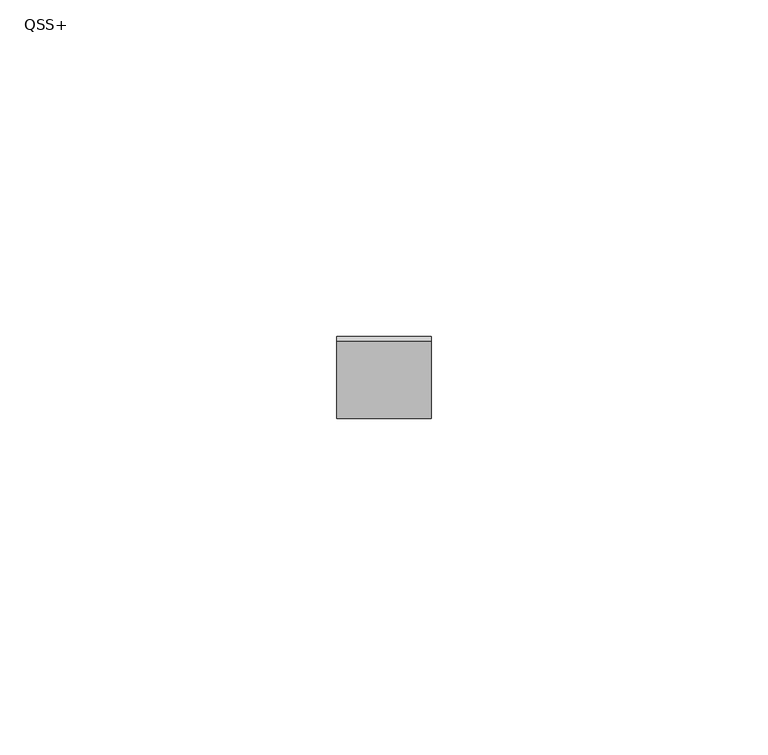
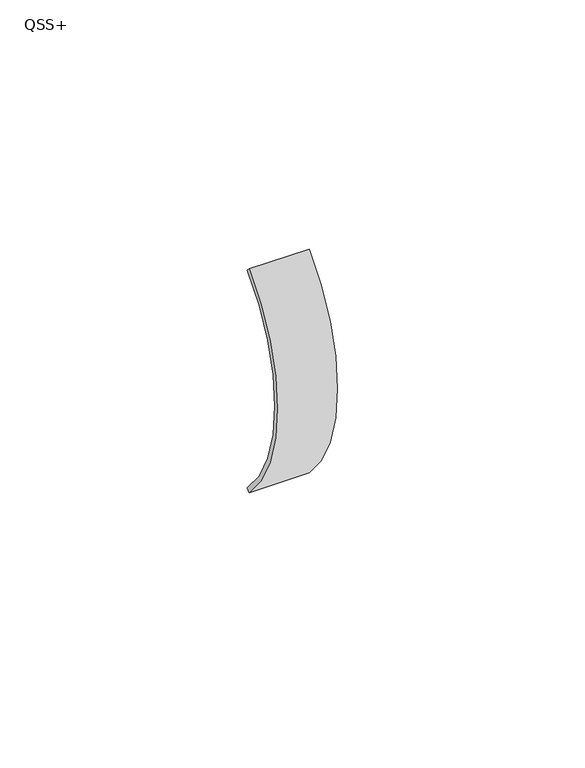
"""IFC4 building model written with IfcOpenShell, lengths in millimetres: proxy geometry, QSS+."""

from ifc_helpers import new_model, si_unit, point, frame, origin, origin_2d, place, context, project, spatial, polyline, circle_curve, trimmed, segment, composite_curve, outline, extrude, source, transform, mapped, element, save


def qss_0674e4f6(model_context):
    return source(origin(), model_context, "Body", "SweptSolid", [
        extrude(outline(composite_curve([segment(trimmed(circle_curve(origin_2d(), 39.0), [point((-27.5771645, -27.5771645))], [point((-27.5771645, 27.5771645))], False, "CARTESIAN"), True, "CONTINUOUS"), segment(polyline([(-27.5771645, 27.5771645), (-26.8700577, 26.8700577)]), True, "CONTINUOUS"), segment(trimmed(circle_curve(origin_2d(), 38.0), [point((-26.8700577, 26.8700577))], [point((-26.8700577, -26.8700577))], True, "CARTESIAN"), True, "CONTINUOUS"), segment(polyline([(-26.8700577, -26.8700577), (-27.5771645, -27.5771645)]), True, "CONTINUOUS")], self_intersect=False)), frame((-7.0, 0.0, 0.0), z_axis=(1.0, 0.0, 0.0), x_axis=(0.0, 1.0, 0.0)), (0.0, 0.0, 1.0), 14.0),
    ])


if __name__ == "__main__":
    model = new_model("IFC4")
    model_context = context("Model", 3, world=origin())
    ifc_project = project(units=[si_unit("LENGTHUNIT", "METRE", prefix="MILLI")], contexts=[model_context])
    site = spatial("IfcSite", under=ifc_project)
    building = spatial("IfcBuilding", under=site)
    placement = place(None, origin())
    qss_shape = qss_0674e4f6(model_context)
    element("IfcBuildingElementProxy", 1, Name="QSS+", ObjectType="QSS+", at=placement, inside=building, context=model_context, shape_type="MappedRepresentation", body=[
        mapped(qss_shape, transform((0.0, 0.0, 0.0), x_axis=(1.0, 0.0, 0.0), y_axis=(0.0, 1.0, 0.0), z_axis=(0.0, 0.0, 1.0))),
    ])
    save(model, "model.ifc")
